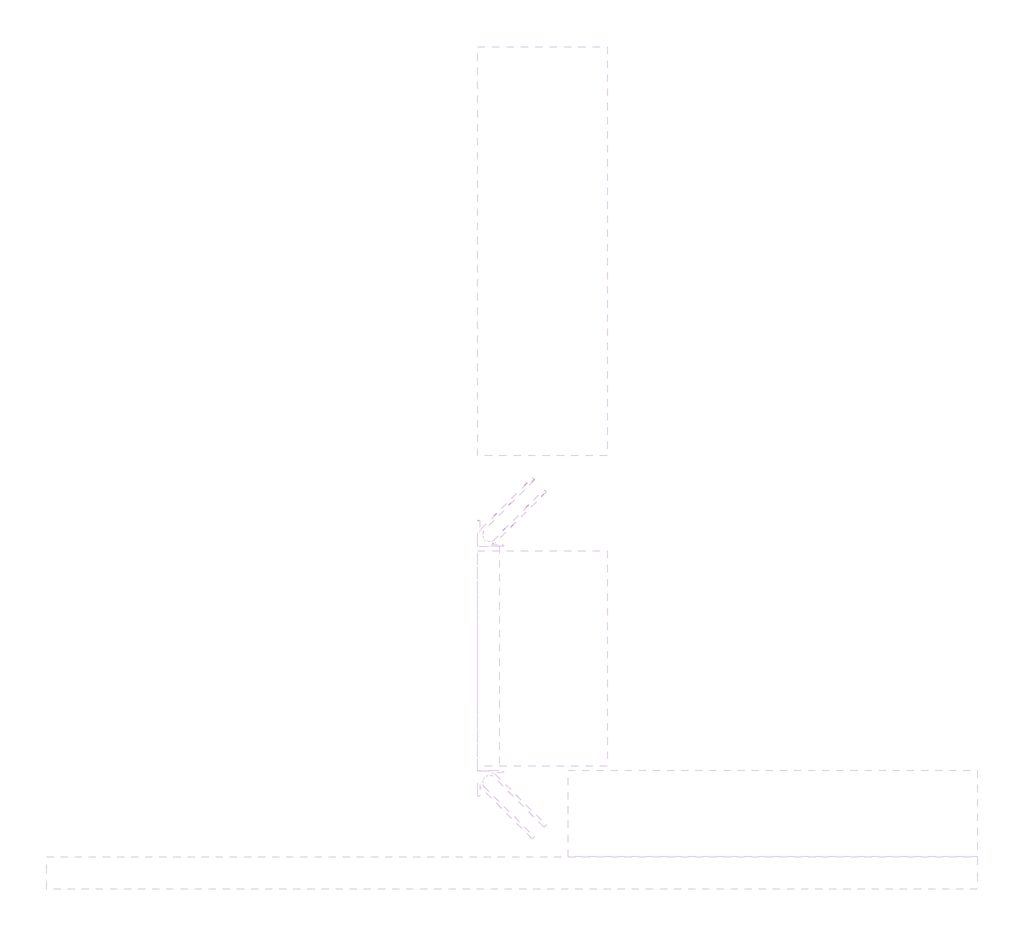
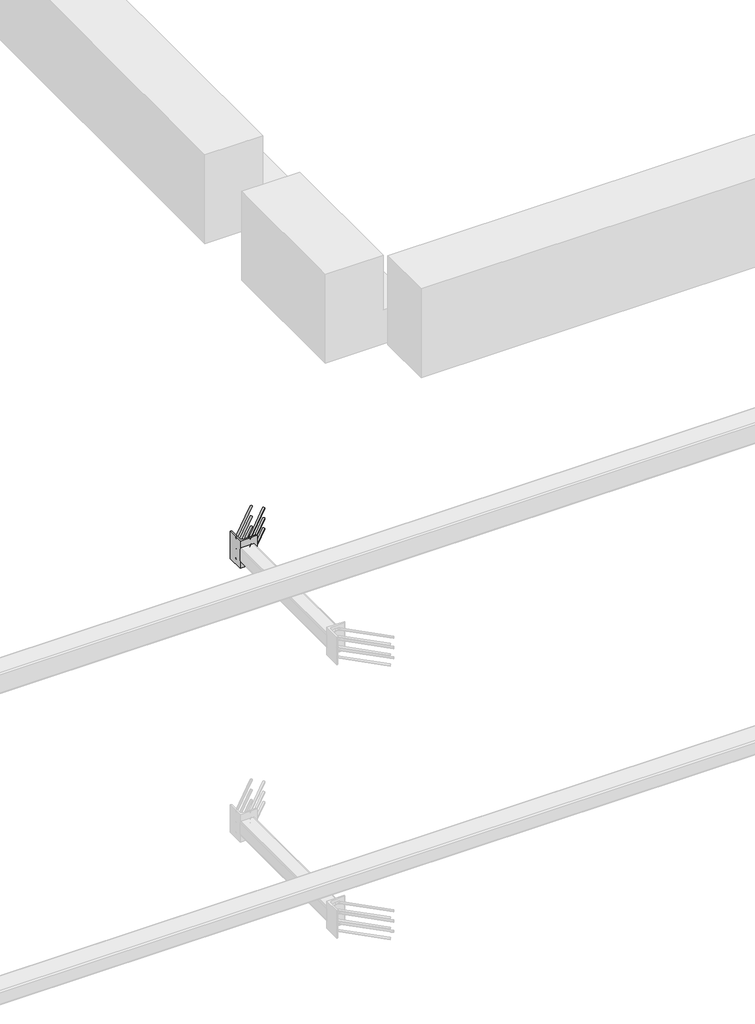
# One storey, part 12 of 65: 1 fastener.
"""IFC4 building model written with IfcOpenShell, lengths in millimetres."""

from ifc_helpers import new_model, si_unit, point, frame, frame_2d, origin, place, context, project, spatial, polyline, circle_curve, ellipse_curve, trimmed, segment, composite_curve, outline, extrude, element, save
from ifc_brep_helpers import plane_surface, cylinder_surface, revolved_surface, advanced_brep

model = new_model("IFC4")

# Units and contexts
model_context = context("Model", 3, world=origin())
ifc_project = project(units=[si_unit("LENGTHUNIT", "METRE", prefix="MILLI")], contexts=[model_context])

# Site, building, storey
site = spatial("IfcSite", under=ifc_project)
building = spatial("IfcBuilding", under=site)
storey = spatial("IfcBuildingStorey", under=building, Elevation=0.0)

# Fastener
placement = place(None, origin())
element("IfcFastener", 1, at=placement, inside=storey, context=model_context, shape_type="SolidModel", body=[
    advanced_brep(
    [(20902.5376259, 11557.4371209, 3975.0), (20912.4371209, 11547.5376259, 3975.0), (20967.4371209, 11492.5376259, 3975.0), (20957.5376259, 11502.4371209, 3975.0), (20697.0, 11264.0, 3975.0), (20697.0, 11250.0, 3975.0), (20715.7867966, 11250.0, 3975.0), (20715.7867966, 11264.0, 3975.0), (20674.0, 11287.0, 3975.0), (20660.0, 11287.0, 3975.0), (20674.0, 11305.7867966, 3975.0), (20660.0, 11305.7867966, 3975.0), (20666.4436508, 11321.3431458, 3975.0), (20676.3431458, 11311.4436508, 3975.0), (20721.4436508, 11266.3431458, 3975.0), (20731.3431458, 11256.4436508, 3975.0)],
    [
        (0, 1, circle_curve(frame((20907.4873734, 11552.4873734, 3975.0), z_axis=(0.7071067811865505, 0.7071067811865446, 0.0), x_axis=(0.7071067811865447, -0.7071067811865506, 0.0)), 7.0)),
        (1, 0, circle_curve(frame((20907.4873734, 11552.4873734, 3975.0), z_axis=(0.7071067811865505, 0.7071067811865446, 0.0), x_axis=(0.7071067811865447, -0.7071067811865506, 0.0)), 7.0)),
        (2, 3, circle_curve(frame((20962.4873734, 11497.4873734, 3975.0), z_axis=(0.7071067811865503, 0.7071067811865447, 0.0), x_axis=(-0.7071067811865447, 0.7071067811865503, 0.0)), 7.0)),
        (3, 2, circle_curve(frame((20962.4873734, 11497.4873734, 3975.0), z_axis=(0.7071067811865503, 0.7071067811865447, 0.0), x_axis=(-0.7071067811865447, 0.7071067811865503, 0.0)), 7.0)),
        (4, 5, circle_curve(frame((20697.0, 11257.0, 3975.0), z_axis=(1.0, 0.0, 0.0), x_axis=(0.0, 1.0, 0.0)), 7.0)),
        (5, 6),
        (6, 7, circle_curve(frame((20715.7867966, 11257.0, 3975.0), z_axis=(-1.0, 0.0, 0.0), x_axis=(0.0, 1.0, 0.0)), 7.0)),
        (7, 4),
        (5, 4, circle_curve(frame((20697.0, 11257.0, 3975.0), z_axis=(1.0, 0.0, 0.0), x_axis=(0.0, 1.0, 0.0)), 7.0)),
        (7, 6, circle_curve(frame((20715.7867966, 11257.0, 3975.0), z_axis=(-1.0, 0.0, 0.0), x_axis=(0.0, 1.0, 0.0)), 7.0)),
        (4, 8, circle_curve(frame((20697.0, 11287.0, 3975.0), z_axis=(0.0, 0.0, -1.0), x_axis=(-1.0, 0.0, 0.0)), 23.0)),
        (8, 9, circle_curve(frame((20667.0, 11287.0, 3975.0), z_axis=(0.0, -1.0, 0.0), x_axis=(1.0, 0.0, 0.0)), 7.0)),
        (9, 5, circle_curve(frame((20697.0, 11287.0, 3975.0), z_axis=(0.0, 0.0, 1.0), x_axis=(-1.0, 0.0, 0.0)), 37.0)),
        (9, 8, circle_curve(frame((20667.0, 11287.0, 3975.0), z_axis=(0.0, -1.0, 0.0), x_axis=(1.0, 0.0, 0.0)), 7.0)),
        (10, 11, circle_curve(frame((20667.0, 11305.7867966, 3975.0), z_axis=(0.0, -1.0, 0.0), x_axis=(1.0, 0.0, 0.0)), 7.0)),
        (11, 9),
        (8, 10),
        (11, 10, circle_curve(frame((20667.0, 11305.7867966, 3975.0), z_axis=(0.0, -1.0, 0.0), x_axis=(1.0, 0.0, 0.0)), 7.0)),
        (0, 12),
        (12, 13, circle_curve(frame((20671.3933983, 11316.3933983, 3975.0), z_axis=(0.7071067811865505, 0.7071067811865446, 0.0), x_axis=(0.7071067811865447, -0.7071067811865506, 0.0)), 7.0)),
        (13, 1),
        (13, 12, circle_curve(frame((20671.3933983, 11316.3933983, 3975.0), z_axis=(0.7071067811865505, 0.7071067811865446, 0.0), x_axis=(0.7071067811865447, -0.7071067811865506, 0.0)), 7.0)),
        (10, 13, circle_curve(frame((20682.0, 11305.7867966, 3975.0), z_axis=(0.0, 0.0, -1.0), x_axis=(-0.7071067811865445, 0.7071067811865506, 0.0)), 8.0)),
        (12, 11, circle_curve(frame((20682.0, 11305.7867966, 3975.0), z_axis=(0.0, 0.0, 1.0), x_axis=(-0.7071067811865445, 0.7071067811865506, 0.0)), 22.0)),
        (14, 7, circle_curve(frame((20715.7867966, 11272.0, 3975.0), z_axis=(0.0, 0.0, -1.0), x_axis=(0.0, -1.0, 0.0)), 8.0)),
        (6, 15, circle_curve(frame((20715.7867966, 11272.0, 3975.0), z_axis=(0.0, 0.0, 1.0), x_axis=(0.0, -1.0, 0.0)), 22.0)),
        (15, 14, circle_curve(frame((20726.3933983, 11261.3933983, 3975.0), z_axis=(-0.7071067811865501, -0.7071067811865449, 0.0), x_axis=(-0.7071067811865449, 0.7071067811865501, 0.0)), 7.0)),
        (14, 15, circle_curve(frame((20726.3933983, 11261.3933983, 3975.0), z_axis=(-0.7071067811865496, -0.7071067811865455, 0.0), x_axis=(-0.7071067811865455, 0.7071067811865496, 0.0)), 7.0)),
        (15, 2),
        (3, 14),
    ],
    [
        plane_surface(frame((20907.4873734, 11552.4873734, 3975.0), z_axis=(0.7071067811865505, 0.7071067811865446, 0.0), x_axis=(0.0, 0.0, 1.0))),
        plane_surface(frame((20962.4873734, 11497.4873734, 3975.0), z_axis=(0.7071067811865503, 0.7071067811865447, 0.0), x_axis=(0.0, 0.0, 1.0))),
        cylinder_surface(frame((20697.0, 11257.0, 3975.0), z_axis=(-1.0, 0.0, 0.0), x_axis=(0.0, 1.0, 0.0)), 7.0),
        revolved_surface(trimmed(ellipse_curve(frame((20667.0, 11287.0, 3975.0), z_axis=(0.0, 1.0, 0.0), x_axis=(1.0, 0.0, 0.0)), 7.0, 7.0), [point((20660.0, 11287.0, 3975.0))], [point((20674.0, 11287.0, 3975.0))], True, "CARTESIAN"), (20697.0, 11287.0, 3975.0), (0.0, 0.0, 1.0)),
        revolved_surface(trimmed(ellipse_curve(frame((20667.0, 11287.0, 3975.0), z_axis=(0.0, 1.0, 0.0), x_axis=(1.0, 0.0, 0.0)), 7.0, 7.0), [point((20674.0, 11287.0, 3975.0))], [point((20660.0, 11287.0, 3975.0))], True, "CARTESIAN"), (20697.0, 11287.0, 3975.0), (0.0, 0.0, 1.0)),
        cylinder_surface(frame((20667.0, 11305.7867966, 3975.0), z_axis=(0.0, 1.0, 0.0), x_axis=(1.0, 0.0, 0.0)), 7.0),
        cylinder_surface(frame((20907.4873734, 11552.4873734, 3975.0), z_axis=(0.7071067811865506, 0.7071067811865447, 0.0), x_axis=(0.7071067811865447, -0.7071067811865506, 0.0)), 7.0),
        revolved_surface(trimmed(ellipse_curve(frame((20671.3933983, 11316.3933983, 3975.0), z_axis=(0.7071067811865506, 0.7071067811865445, 0.0), x_axis=(0.7071067811865445, -0.7071067811865506, 0.0)), 7.0, 7.0), [point((20666.4436508, 11321.3431458, 3975.0))], [point((20676.3431458, 11311.4436508, 3975.0))], True, "CARTESIAN"), (20682.0, 11305.7867966, 3975.0), (0.0, 0.0, 1.0)),
        revolved_surface(trimmed(ellipse_curve(frame((20671.3933983, 11316.3933983, 3975.0), z_axis=(0.7071067811865506, 0.7071067811865445, 0.0), x_axis=(0.7071067811865445, -0.7071067811865506, 0.0)), 7.0, 7.0), [point((20676.3431458, 11311.4436508, 3975.0))], [point((20666.4436508, 11321.3431458, 3975.0))], True, "CARTESIAN"), (20682.0, 11305.7867966, 3975.0), (0.0, 0.0, 1.0)),
        revolved_surface(trimmed(ellipse_curve(frame((20715.7867966, 11257.0, 3975.0), z_axis=(-1.0, 0.0, 0.0), x_axis=(0.0, 1.0, 0.0)), 7.0, 7.0), [point((20715.7867966, 11250.0, 3975.0))], [point((20715.7867966, 11264.0, 3975.0))], True, "CARTESIAN"), (20715.7867966, 11272.0, 3975.0), (0.0, 0.0, 1.0)),
        revolved_surface(trimmed(ellipse_curve(frame((20715.7867966, 11257.0, 3975.0), z_axis=(-1.0, 0.0, 0.0), x_axis=(0.0, 1.0, 0.0)), 7.0, 7.0), [point((20715.7867966, 11264.0, 3975.0))], [point((20715.7867966, 11250.0, 3975.0))], True, "CARTESIAN"), (20715.7867966, 11272.0, 3975.0), (0.0, 0.0, 1.0)),
        cylinder_surface(frame((20726.3933983, 11261.3933983, 3975.0), z_axis=(-0.7071067811865503, -0.7071067811865447, 0.0), x_axis=(-0.7071067811865447, 0.7071067811865503, 0.0)), 7.0),
    ],
    [
        (0, [[1, 2]]),
        (1, [[3, 4]]),
        (2, [[5, 6, 7, 8]]),
        (2, [[9, -8, 10, -6]]),
        (3, [[11, 12, 13, -5]]),
        (4, [[-13, 14, -11, -9]]),
        (5, [[15, 16, -12, 17]]),
        (5, [[18, -17, -14, -16]]),
        (6, [[-1, 19, 20, 21]]),
        (6, [[-2, -21, 22, -19]]),
        (7, [[23, -20, 24, -15]]),
        (8, [[-24, -22, -23, -18]]),
        (9, [[25, -7, 26, 27]]),
        (10, [[-26, -10, -25, 28]]),
        (11, [[-27, 29, -4, 30]]),
        (11, [[-28, -30, -3, -29]]),
    ],
),
    advanced_brep(
    [(20912.4371209, 11547.5376259, 4125.0), (20902.5376259, 11557.4371209, 4125.0), (20957.5376259, 11502.4371209, 4125.0), (20967.4371209, 11492.5376259, 4125.0), (20697.0, 11250.0, 4125.0), (20697.0, 11264.0, 4125.0), (20715.7867966, 11264.0, 4125.0), (20715.7867966, 11250.0, 4125.0), (20660.0, 11287.0, 4125.0), (20674.0, 11287.0, 4125.0), (20660.0, 11305.7867966, 4125.0), (20674.0, 11305.7867966, 4125.0), (20676.3431458, 11311.4436508, 4125.0), (20666.4436508, 11321.3431458, 4125.0), (20731.3431458, 11256.4436508, 4125.0), (20721.4436508, 11266.3431458, 4125.0)],
    [
        (0, 1, circle_curve(frame((20907.4873734, 11552.4873734, 4125.0), z_axis=(0.7071067811865505, 0.7071067811865446, 0.0), x_axis=(-0.7071067811865447, 0.7071067811865506, 0.0)), 7.0)),
        (1, 0, circle_curve(frame((20907.4873734, 11552.4873734, 4125.0), z_axis=(0.7071067811865505, 0.7071067811865446, 0.0), x_axis=(-0.7071067811865447, 0.7071067811865506, 0.0)), 7.0)),
        (2, 3, circle_curve(frame((20962.4873734, 11497.4873734, 4125.0), z_axis=(0.7071067811865505, 0.7071067811865447, 0.0), x_axis=(0.7071067811865447, -0.7071067811865505, 0.0)), 7.0)),
        (3, 2, circle_curve(frame((20962.4873734, 11497.4873734, 4125.0), z_axis=(0.7071067811865505, 0.7071067811865447, 0.0), x_axis=(0.7071067811865447, -0.7071067811865505, 0.0)), 7.0)),
        (4, 5, circle_curve(frame((20697.0, 11257.0, 4125.0), z_axis=(1.0, 0.0, 0.0), x_axis=(0.0, -1.0, 0.0)), 7.0)),
        (5, 6),
        (6, 7, circle_curve(frame((20715.7867966, 11257.0, 4125.0), z_axis=(-1.0, 0.0, 0.0), x_axis=(0.0, -1.0, 0.0)), 7.0)),
        (7, 4),
        (5, 4, circle_curve(frame((20697.0, 11257.0, 4125.0), z_axis=(1.0, 0.0, 0.0), x_axis=(0.0, -1.0, 0.0)), 7.0)),
        (7, 6, circle_curve(frame((20715.7867966, 11257.0, 4125.0), z_axis=(-1.0, 0.0, 0.0), x_axis=(0.0, -1.0, 0.0)), 7.0)),
        (4, 8, circle_curve(frame((20697.0, 11287.0, 4125.0), z_axis=(0.0, 0.0, -1.0), x_axis=(-1.0, 0.0, 0.0)), 37.0)),
        (8, 9, circle_curve(frame((20667.0, 11287.0, 4125.0), z_axis=(0.0, -1.0, 0.0), x_axis=(-1.0, 0.0, 0.0)), 7.0)),
        (9, 5, circle_curve(frame((20697.0, 11287.0, 4125.0), z_axis=(0.0, 0.0, 1.0), x_axis=(-1.0, 0.0, 0.0)), 23.0)),
        (9, 8, circle_curve(frame((20667.0, 11287.0, 4125.0), z_axis=(0.0, -1.0, 0.0), x_axis=(-1.0, 0.0, 0.0)), 7.0)),
        (10, 11, circle_curve(frame((20667.0, 11305.7867966, 4125.0), z_axis=(0.0, -1.0, 0.0), x_axis=(-1.0, 0.0, 0.0)), 7.0)),
        (11, 9),
        (8, 10),
        (11, 10, circle_curve(frame((20667.0, 11305.7867966, 4125.0), z_axis=(0.0, -1.0, 0.0), x_axis=(-1.0, 0.0, 0.0)), 7.0)),
        (0, 12),
        (12, 13, circle_curve(frame((20671.3933983, 11316.3933983, 4125.0), z_axis=(0.7071067811865505, 0.7071067811865446, 0.0), x_axis=(-0.7071067811865447, 0.7071067811865506, 0.0)), 7.0)),
        (13, 1),
        (13, 12, circle_curve(frame((20671.3933983, 11316.3933983, 4125.0), z_axis=(0.7071067811865505, 0.7071067811865446, 0.0), x_axis=(-0.7071067811865447, 0.7071067811865506, 0.0)), 7.0)),
        (10, 13, circle_curve(frame((20682.0, 11305.7867966, 4125.0), z_axis=(0.0, 0.0, -1.0), x_axis=(-0.7071067811865445, 0.7071067811865506, 0.0)), 22.0)),
        (12, 11, circle_curve(frame((20682.0, 11305.7867966, 4125.0), z_axis=(0.0, 0.0, 1.0), x_axis=(-0.7071067811865445, 0.7071067811865506, 0.0)), 8.0)),
        (14, 7, circle_curve(frame((20715.7867966, 11272.0, 4125.0), z_axis=(0.0, 0.0, -1.0), x_axis=(0.0, -1.0, 0.0)), 22.0)),
        (6, 15, circle_curve(frame((20715.7867966, 11272.0, 4125.0), z_axis=(0.0, 0.0, 1.0), x_axis=(0.0, -1.0, 0.0)), 8.0)),
        (15, 14, circle_curve(frame((20726.3933983, 11261.3933983, 4125.0), z_axis=(-0.7071067811865488, -0.7071067811865462, 0.0), x_axis=(0.7071067811865462, -0.7071067811865488, 0.0)), 7.0)),
        (14, 15, circle_curve(frame((20726.3933983, 11261.3933983, 4125.0), z_axis=(-0.7071067811865496, -0.7071067811865455, 0.0), x_axis=(0.7071067811865455, -0.7071067811865496, 0.0)), 7.0)),
        (15, 2),
        (3, 14),
    ],
    [
        plane_surface(frame((20907.4873734, 11552.4873734, 4125.0), z_axis=(0.7071067811865505, 0.7071067811865446, 0.0), x_axis=(0.0, 0.0, -1.0))),
        plane_surface(frame((20962.4873734, 11497.4873734, 4125.0), z_axis=(0.7071067811865505, 0.7071067811865447, 0.0), x_axis=(0.0, 0.0, -1.0))),
        cylinder_surface(frame((20697.0, 11257.0, 4125.0), z_axis=(-1.0, 0.0, 0.0), x_axis=(0.0, -1.0, 0.0)), 7.0),
        revolved_surface(trimmed(ellipse_curve(frame((20667.0, 11287.0, 4125.0), z_axis=(0.0, 1.0, 0.0), x_axis=(-1.0, 0.0, 0.0)), 7.0, 7.0), [point((20674.0, 11287.0, 4125.0))], [point((20660.0, 11287.0, 4125.0))], True, "CARTESIAN"), (20697.0, 11287.0, 4125.0), (0.0, 0.0, 1.0)),
        revolved_surface(trimmed(ellipse_curve(frame((20667.0, 11287.0, 4125.0), z_axis=(0.0, 1.0, 0.0), x_axis=(-1.0, 0.0, 0.0)), 7.0, 7.0), [point((20660.0, 11287.0, 4125.0))], [point((20674.0, 11287.0, 4125.0))], True, "CARTESIAN"), (20697.0, 11287.0, 4125.0), (0.0, 0.0, 1.0)),
        cylinder_surface(frame((20667.0, 11305.7867966, 4125.0), z_axis=(0.0, 1.0, 0.0), x_axis=(-1.0, 0.0, 0.0)), 7.0),
        cylinder_surface(frame((20907.4873734, 11552.4873734, 4125.0), z_axis=(0.7071067811865506, 0.7071067811865447, 0.0), x_axis=(-0.7071067811865447, 0.7071067811865506, 0.0)), 7.0),
        revolved_surface(trimmed(ellipse_curve(frame((20671.3933983, 11316.3933983, 4125.0), z_axis=(0.7071067811865506, 0.7071067811865445, 0.0), x_axis=(-0.7071067811865445, 0.7071067811865506, 0.0)), 7.0, 7.0), [point((20676.3431458, 11311.4436508, 4125.0))], [point((20666.4436508, 11321.3431458, 4125.0))], True, "CARTESIAN"), (20682.0, 11305.7867966, 4125.0), (0.0, 0.0, 1.0)),
        revolved_surface(trimmed(ellipse_curve(frame((20671.3933983, 11316.3933983, 4125.0), z_axis=(0.7071067811865506, 0.7071067811865445, 0.0), x_axis=(-0.7071067811865445, 0.7071067811865506, 0.0)), 7.0, 7.0), [point((20666.4436508, 11321.3431458, 4125.0))], [point((20676.3431458, 11311.4436508, 4125.0))], True, "CARTESIAN"), (20682.0, 11305.7867966, 4125.0), (0.0, 0.0, 1.0)),
        revolved_surface(trimmed(ellipse_curve(frame((20715.7867966, 11257.0, 4125.0), z_axis=(-1.0, 0.0, 0.0), x_axis=(0.0, -1.0, 0.0)), 7.0, 7.0), [point((20715.7867966, 11264.0, 4125.0))], [point((20715.7867966, 11250.0, 4125.0))], True, "CARTESIAN"), (20715.7867966, 11272.0, 4125.0), (0.0, 0.0, 1.0)),
        revolved_surface(trimmed(ellipse_curve(frame((20715.7867966, 11257.0, 4125.0), z_axis=(-1.0, 0.0, 0.0), x_axis=(0.0, -1.0, 0.0)), 7.0, 7.0), [point((20715.7867966, 11250.0, 4125.0))], [point((20715.7867966, 11264.0, 4125.0))], True, "CARTESIAN"), (20715.7867966, 11272.0, 4125.0), (0.0, 0.0, 1.0)),
        cylinder_surface(frame((20726.3933983, 11261.3933983, 4125.0), z_axis=(-0.7071067811865505, -0.7071067811865447, 0.0), x_axis=(0.7071067811865447, -0.7071067811865505, 0.0)), 7.0),
    ],
    [
        (0, [[1, 2]]),
        (1, [[3, 4]]),
        (2, [[5, 6, 7, 8]]),
        (2, [[9, -8, 10, -6]]),
        (3, [[11, 12, 13, -5]]),
        (4, [[-13, 14, -11, -9]]),
        (5, [[15, 16, -12, 17]]),
        (5, [[18, -17, -14, -16]]),
        (6, [[-1, 19, 20, 21]]),
        (6, [[-2, -21, 22, -19]]),
        (7, [[23, -20, 24, -15]]),
        (8, [[-24, -22, -23, -18]]),
        (9, [[25, -7, 26, 27]]),
        (10, [[-26, -10, -25, 28]]),
        (11, [[-27, 29, -4, 30]]),
        (11, [[-28, -30, -3, -29]]),
    ],
),
    advanced_brep(
    [(20912.4371209, 11547.5376259, 4050.0), (20902.5376259, 11557.4371209, 4050.0), (20957.5376259, 11502.4371209, 4050.0), (20967.4371209, 11492.5376259, 4050.0), (20697.0, 11250.0, 4050.0), (20697.0, 11264.0, 4050.0), (20715.7867966, 11264.0, 4050.0), (20715.7867966, 11250.0, 4050.0), (20660.0, 11287.0, 4050.0), (20674.0, 11287.0, 4050.0), (20660.0, 11305.7867966, 4050.0), (20674.0, 11305.7867966, 4050.0), (20676.3431458, 11311.4436508, 4050.0), (20666.4436508, 11321.3431458, 4050.0), (20731.3431458, 11256.4436508, 4050.0), (20721.4436508, 11266.3431458, 4050.0)],
    [
        (0, 1, circle_curve(frame((20907.4873734, 11552.4873734, 4050.0), z_axis=(0.7071067811865505, 0.7071067811865446, 0.0), x_axis=(-0.7071067811865446, 0.7071067811865505, 0.0)), 7.0)),
        (1, 0, circle_curve(frame((20907.4873734, 11552.4873734, 4050.0), z_axis=(0.7071067811865505, 0.7071067811865446, 0.0), x_axis=(-0.7071067811865446, 0.7071067811865505, 0.0)), 7.0)),
        (2, 3, circle_curve(frame((20962.4873734, 11497.4873734, 4050.0), z_axis=(0.7071067811865505, 0.7071067811865447, 0.0), x_axis=(0.7071067811865447, -0.7071067811865505, 0.0)), 7.0)),
        (3, 2, circle_curve(frame((20962.4873734, 11497.4873734, 4050.0), z_axis=(0.7071067811865505, 0.7071067811865447, 0.0), x_axis=(0.7071067811865447, -0.7071067811865505, 0.0)), 7.0)),
        (4, 5, circle_curve(frame((20697.0, 11257.0, 4050.0), z_axis=(1.0, 0.0, 0.0), x_axis=(0.0, -1.0, 0.0)), 7.0)),
        (5, 6),
        (6, 7, circle_curve(frame((20715.7867966, 11257.0, 4050.0), z_axis=(-1.0, 0.0, 0.0), x_axis=(0.0, -1.0, 0.0)), 7.0)),
        (7, 4),
        (5, 4, circle_curve(frame((20697.0, 11257.0, 4050.0), z_axis=(1.0, 0.0, 0.0), x_axis=(0.0, -1.0, 0.0)), 7.0)),
        (7, 6, circle_curve(frame((20715.7867966, 11257.0, 4050.0), z_axis=(-1.0, 0.0, 0.0), x_axis=(0.0, -1.0, 0.0)), 7.0)),
        (4, 8, circle_curve(frame((20697.0, 11287.0, 4050.0), z_axis=(0.0, 0.0, -1.0), x_axis=(-1.0, 0.0, 0.0)), 37.0)),
        (8, 9, circle_curve(frame((20667.0, 11287.0, 4050.0), z_axis=(0.0, -1.0, 0.0), x_axis=(-1.0, 0.0, 0.0)), 7.0)),
        (9, 5, circle_curve(frame((20697.0, 11287.0, 4050.0), z_axis=(0.0, 0.0, 1.0), x_axis=(-1.0, 0.0, 0.0)), 23.0)),
        (9, 8, circle_curve(frame((20667.0, 11287.0, 4050.0), z_axis=(0.0, -1.0, 0.0), x_axis=(-1.0, 0.0, 0.0)), 7.0)),
        (10, 11, circle_curve(frame((20667.0, 11305.7867966, 4050.0), z_axis=(0.0, -1.0, 0.0), x_axis=(-1.0, 0.0, 0.0)), 7.0)),
        (11, 9),
        (8, 10),
        (11, 10, circle_curve(frame((20667.0, 11305.7867966, 4050.0), z_axis=(0.0, -1.0, 0.0), x_axis=(-1.0, 0.0, 0.0)), 7.0)),
        (0, 12),
        (12, 13, circle_curve(frame((20671.3933983, 11316.3933983, 4050.0), z_axis=(0.7071067811865505, 0.7071067811865446, 0.0), x_axis=(-0.7071067811865446, 0.7071067811865505, 0.0)), 7.0)),
        (13, 1),
        (13, 12, circle_curve(frame((20671.3933983, 11316.3933983, 4050.0), z_axis=(0.7071067811865505, 0.7071067811865446, 0.0), x_axis=(-0.7071067811865446, 0.7071067811865505, 0.0)), 7.0)),
        (10, 13, circle_curve(frame((20682.0, 11305.7867966, 4050.0), z_axis=(0.0, 0.0, -1.0), x_axis=(-0.7071067811865445, 0.7071067811865506, 0.0)), 22.0)),
        (12, 11, circle_curve(frame((20682.0, 11305.7867966, 4050.0), z_axis=(0.0, 0.0, 1.0), x_axis=(-0.7071067811865445, 0.7071067811865506, 0.0)), 8.0)),
        (14, 7, circle_curve(frame((20715.7867966, 11272.0, 4050.0), z_axis=(0.0, 0.0, -1.0), x_axis=(0.0, -1.0, 0.0)), 22.0)),
        (6, 15, circle_curve(frame((20715.7867966, 11272.0, 4050.0), z_axis=(0.0, 0.0, 1.0), x_axis=(0.0, -1.0, 0.0)), 8.0)),
        (15, 14, circle_curve(frame((20726.3933983, 11261.3933983, 4050.0), z_axis=(-0.7071067811865502, -0.7071067811865448, 0.0), x_axis=(0.7071067811865448, -0.7071067811865502, 0.0)), 7.0)),
        (14, 15, circle_curve(frame((20726.3933983, 11261.3933983, 4050.0), z_axis=(-0.7071067811865501, -0.7071067811865449, 0.0), x_axis=(0.7071067811865449, -0.7071067811865501, 0.0)), 7.0)),
        (15, 2),
        (3, 14),
    ],
    [
        plane_surface(frame((20907.4873734, 11552.4873734, 4050.0), z_axis=(0.7071067811865505, 0.7071067811865446, 0.0), x_axis=(0.0, 0.0, -1.0))),
        plane_surface(frame((20962.4873734, 11497.4873734, 4050.0), z_axis=(0.7071067811865503, 0.7071067811865448, 0.0), x_axis=(0.0, 0.0, -1.0))),
        cylinder_surface(frame((20697.0, 11257.0, 4050.0), z_axis=(-1.0, 0.0, 0.0), x_axis=(0.0, -1.0, 0.0)), 7.0),
        revolved_surface(trimmed(ellipse_curve(frame((20667.0, 11287.0, 4050.0), z_axis=(0.0, 1.0, 0.0), x_axis=(-1.0, 0.0, 0.0)), 7.0, 7.0), [point((20674.0, 11287.0, 4050.0))], [point((20660.0, 11287.0, 4050.0))], True, "CARTESIAN"), (20697.0, 11287.0, 4050.0), (0.0, 0.0, 1.0)),
        revolved_surface(trimmed(ellipse_curve(frame((20667.0, 11287.0, 4050.0), z_axis=(0.0, 1.0, 0.0), x_axis=(-1.0, 0.0, 0.0)), 7.0, 7.0), [point((20660.0, 11287.0, 4050.0))], [point((20674.0, 11287.0, 4050.0))], True, "CARTESIAN"), (20697.0, 11287.0, 4050.0), (0.0, 0.0, 1.0)),
        cylinder_surface(frame((20667.0, 11305.7867966, 4050.0), z_axis=(0.0, 1.0, 0.0), x_axis=(-1.0, 0.0, 0.0)), 7.0),
        cylinder_surface(frame((20907.4873734, 11552.4873734, 4050.0), z_axis=(0.7071067811865505, 0.7071067811865446, 0.0), x_axis=(-0.7071067811865446, 0.7071067811865505, 0.0)), 7.0),
        revolved_surface(trimmed(ellipse_curve(frame((20671.3933983, 11316.3933983, 4050.0), z_axis=(0.7071067811865507, 0.7071067811865444, 0.0), x_axis=(-0.7071067811865444, 0.7071067811865507, 0.0)), 7.0, 7.0), [point((20676.3431458, 11311.4436508, 4050.0))], [point((20666.4436508, 11321.3431458, 4050.0))], True, "CARTESIAN"), (20682.0, 11305.7867966, 4050.0), (0.0, 0.0, 1.0)),
        revolved_surface(trimmed(ellipse_curve(frame((20671.3933983, 11316.3933983, 4050.0), z_axis=(0.7071067811865507, 0.7071067811865444, 0.0), x_axis=(-0.7071067811865444, 0.7071067811865507, 0.0)), 7.0, 7.0), [point((20666.4436508, 11321.3431458, 4050.0))], [point((20676.3431458, 11311.4436508, 4050.0))], True, "CARTESIAN"), (20682.0, 11305.7867966, 4050.0), (0.0, 0.0, 1.0)),
        revolved_surface(trimmed(ellipse_curve(frame((20715.7867966, 11257.0, 4050.0), z_axis=(-1.0, 0.0, 0.0), x_axis=(0.0, -1.0, 0.0)), 7.0, 7.0), [point((20715.7867966, 11264.0, 4050.0))], [point((20715.7867966, 11250.0, 4050.0))], True, "CARTESIAN"), (20715.7867966, 11272.0, 4050.0), (0.0, 0.0, 1.0)),
        revolved_surface(trimmed(ellipse_curve(frame((20715.7867966, 11257.0, 4050.0), z_axis=(-1.0, 0.0, 0.0), x_axis=(0.0, -1.0, 0.0)), 7.0, 7.0), [point((20715.7867966, 11250.0, 4050.0))], [point((20715.7867966, 11264.0, 4050.0))], True, "CARTESIAN"), (20715.7867966, 11272.0, 4050.0), (0.0, 0.0, 1.0)),
        cylinder_surface(frame((20726.3933983, 11261.3933983, 4050.0), z_axis=(-0.7071067811865505, -0.7071067811865447, 0.0), x_axis=(0.7071067811865447, -0.7071067811865505, 0.0)), 7.0),
    ],
    [
        (0, [[1, 2]]),
        (1, [[3, 4]]),
        (2, [[5, 6, 7, 8]]),
        (2, [[9, -8, 10, -6]]),
        (3, [[11, 12, 13, -5]]),
        (4, [[-13, 14, -11, -9]]),
        (5, [[15, 16, -12, 17]]),
        (5, [[18, -17, -14, -16]]),
        (6, [[-1, 19, 20, 21]]),
        (6, [[-2, -21, 22, -19]]),
        (7, [[23, -20, 24, -15]]),
        (8, [[-24, -22, -23, -18]]),
        (9, [[25, -7, 26, 27]]),
        (10, [[-26, -10, -25, 28]]),
        (11, [[-27, 29, -4, 30]]),
        (11, [[-28, -30, -3, -29]]),
    ],
),
    extrude(outline(composite_curve([segment(polyline([(20650.0, 11240.0), (20650.0, 11360.0), (20653.5, 11360.0)]), True, "CONTINUOUS"), segment(trimmed(circle_curve(frame_2d((20653.5, 11353.5)), 6.5), [point((20653.5, 11360.0))], [point((20660.0, 11353.5))], False, "CARTESIAN"), True, "CONTINUOUS"), segment(polyline([(20660.0, 11353.5), (20660.0, 11263.0)]), True, "CONTINUOUS"), segment(trimmed(circle_curve(frame_2d((20673.0, 11263.0)), 13.0), [point((20660.0, 11263.0))], [point((20673.0, 11250.0))], True, "CARTESIAN"), True, "CONTINUOUS"), segment(polyline([(20673.0, 11250.0), (20763.5, 11250.0)]), True, "CONTINUOUS"), segment(trimmed(circle_curve(frame_2d((20763.5, 11243.5)), 6.5), [point((20763.5, 11250.0))], [point((20770.0, 11243.5))], False, "CARTESIAN"), True, "CONTINUOUS"), segment(polyline([(20770.0, 11243.5), (20770.0, 11240.0), (20650.0, 11240.0)]), True, "CONTINUOUS")], self_intersect=False)), frame((0.0, 0.0, 3950.0), z_axis=(0.0, 0.0, 1.0), x_axis=(1.0, 0.0, 0.0)), (0.0, 0.0, 1.0), 200.0),
])

save(model, "model.ifc")
